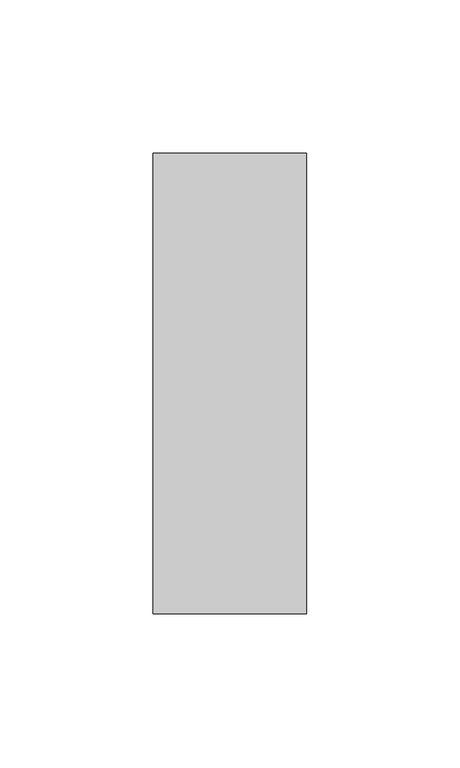
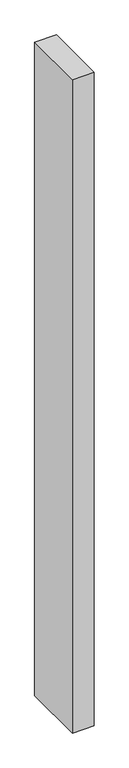
"""IFC4 building model written with IfcOpenShell, lengths in millimetres: member geometry."""

from ifc_helpers import new_model, si_unit, frame, origin, place, context, project, spatial, polyline, outline, extrude, source, transform, mapped, element, save


def member_94daa18e(model_context):
    return source(origin(), model_context, "Body", "SweptSolid", [
        extrude(outline(polyline([(0.0, 75.0), (0.0, -75.0), (-50.0, -75.0), (-50.0, 75.0), (0.0, 75.0)])), frame((0.0, 0.0, -1588.6336859), z_axis=(0.0, 0.0, 1.0), x_axis=(1.0, 0.0, 0.0)), (0.0, 0.0, 1.0), 1588.6336859),
    ])


if __name__ == "__main__":
    model = new_model("IFC4")
    model_context = context("Model", 3, world=origin())
    ifc_project = project(units=[si_unit("LENGTHUNIT", "METRE", prefix="MILLI")], contexts=[model_context])
    site = spatial("IfcSite", under=ifc_project)
    building = spatial("IfcBuilding", under=site)
    placement = place(None, origin())
    member_shape = member_94daa18e(model_context)
    element("IfcMember", 1, at=placement, inside=building, context=model_context, shape_type="MappedRepresentation", body=[
        mapped(member_shape, transform((0.0, 0.0, 0.0), x_axis=(1.0, 0.0, 0.0), y_axis=(0.0, 1.0, 0.0), z_axis=(0.0, 0.0, 1.0))),
    ])
    save(model, "model.ifc")
